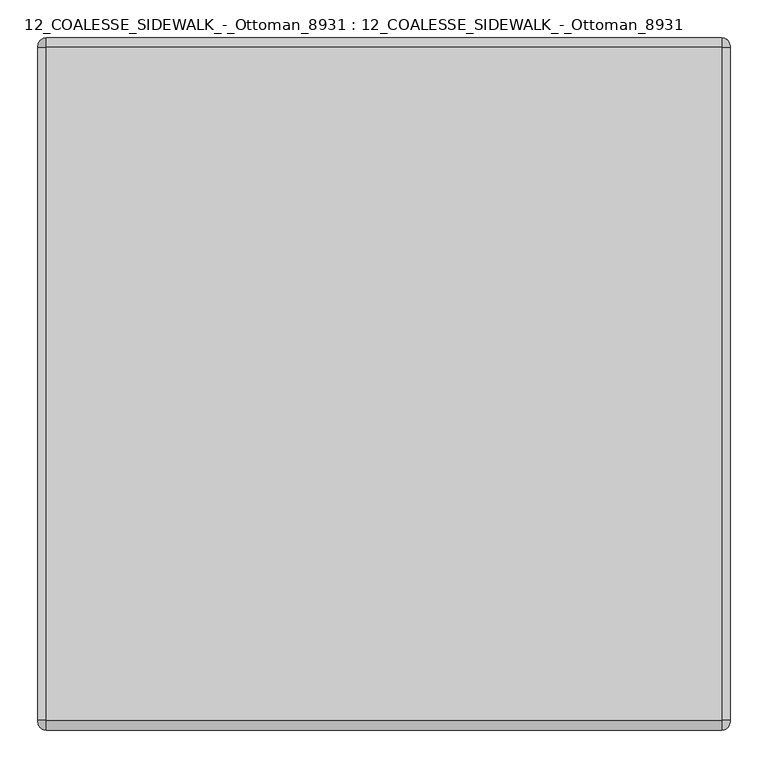
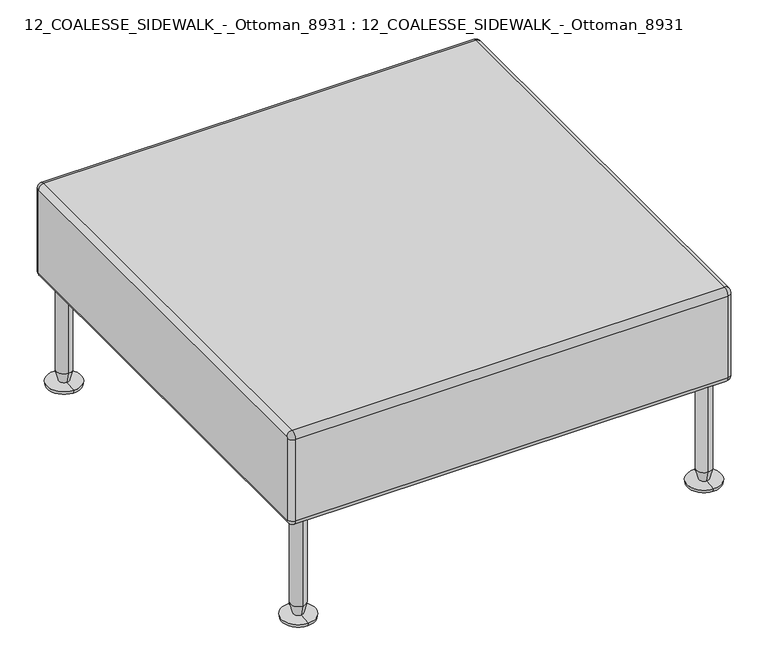
"""IFC4 building model written with IfcOpenShell, lengths in millimetres: furniture geometry, 12_COALESSE_SIDEWALK_-_Ottoman_8931 : 12_COALESSE_SIDEWALK_-_Ottoman_8931."""

from ifc_helpers import new_model, si_unit, point, frame, origin, place, context, project, spatial, polyline, circle_curve, ellipse_curve, trimmed, source, transform, mapped, element, save
from ifc_brep_helpers import plane_surface, cylinder_surface, revolved_surface, advanced_brep


def furniture_12_coalesse_sidewalk_ottoman_8931_12_coalesse_7567e3d7(model_context):
    return source(origin(), model_context, "Body", "AdvancedBrep", [
        advanced_brep(
        [(-721.2141121, -583.8248707, 228.6), (-721.2141121, -567.9498707, 228.6), (-721.2141121, -599.6998707, 228.6), (-721.2141121, -549.958204, 0.0), (-721.2141121, -583.8248707, 0.0), (-721.2141121, -617.6915374, 0.0), (-721.2141121, -618.7498707, 6.35), (-721.2141121, -548.8998707, 6.35), (-721.2141121, -593.7082242, 8.5001207), (-721.2141121, -573.9415173, 8.5001207), (-721.2141121, -599.6998707, 31.75), (-721.2141121, -567.9498707, 31.75)],
        [
            (0, 1),
            (1, 2, circle_curve(frame((-721.2141121, -583.8248707, 228.6), z_axis=(0.0, 0.0, 1.0), x_axis=(0.0, -1.0, 0.0)), 15.875)),
            (2, 0),
            (2, 1, circle_curve(frame((-721.2141121, -583.8248707, 228.6), z_axis=(0.0, 0.0, 1.0), x_axis=(0.0, -1.0, 0.0)), 15.875)),
            (3, 4),
            (4, 5),
            (5, 3, circle_curve(frame((-721.2141121, -583.8248707, 0.0), z_axis=(0.0, 0.0, -1.0), x_axis=(0.0, -1.0, 0.0)), 33.8666667)),
            (3, 5, circle_curve(frame((-721.2141121, -583.8248707, 0.0), z_axis=(0.0, 0.0, -1.0), x_axis=(0.0, -1.0, 0.0)), 33.8666667)),
            (5, 6),
            (6, 7, circle_curve(frame((-721.2141121, -583.8248707, 6.35), z_axis=(0.0, 0.0, -1.0), x_axis=(0.0, -1.0, 0.0)), 34.925)),
            (7, 3),
            (7, 6, circle_curve(frame((-721.2141121, -583.8248707, 6.35), z_axis=(0.0, 0.0, -1.0), x_axis=(0.0, -1.0, 0.0)), 34.925)),
            (6, 8),
            (8, 9, circle_curve(frame((-721.2141121, -583.8248707, 8.5001207), z_axis=(0.0, 0.0, -1.0), x_axis=(0.0, -1.0, 0.0)), 9.8833534)),
            (9, 7),
            (9, 8, circle_curve(frame((-721.2141121, -583.8248707, 8.5001207), z_axis=(0.0, 0.0, -1.0), x_axis=(0.0, -1.0, 0.0)), 9.8833534)),
            (8, 10),
            (10, 11, circle_curve(frame((-721.2141121, -583.8248707, 31.75), z_axis=(0.0, 0.0, -1.0), x_axis=(0.0, -1.0, 0.0)), 15.875)),
            (11, 9),
            (11, 10, circle_curve(frame((-721.2141121, -583.8248707, 31.75), z_axis=(0.0, 0.0, -1.0), x_axis=(0.0, -1.0, 0.0)), 15.875)),
            (1, 11),
            (10, 2),
        ],
        [
            plane_surface(frame((-721.2141121, -583.8248707, 228.6), z_axis=(0.0, 0.0, 1.0), x_axis=(0.0, -1.0, 0.0))),
            plane_surface(frame((-721.2141121, -583.8248707, 0.0), z_axis=(0.0, 0.0, -1.0), x_axis=(0.0, -1.0, 0.0))),
            revolved_surface(polyline([(-721.2141121, -617.6915374, 0.0), (-721.2141121, -618.7498707, 6.35)]), (-721.2141121, -583.8248707, -95.25), (0.0, 0.0, 1.0)),
            revolved_surface(polyline([(-721.2141121, -618.7498707, 6.35), (-721.2141121, -593.7082242, 8.5001207)]), (-721.2141121, -583.8248707, -95.25), (0.0, 0.0, 1.0)),
            revolved_surface(polyline([(-721.2141121, -593.7082242, 8.5001207), (-721.2141121, -599.6998707, 31.75)]), (-721.2141121, -583.8248707, -95.25), (0.0, 0.0, 1.0)),
            cylinder_surface(frame((-721.2141121, -583.8248707, -95.25), z_axis=(0.0, 0.0, 1.0), x_axis=(0.0, -1.0, 0.0)), 15.875),
        ],
        [
            (0, [[1, 2, 3]]),
            (0, [[4, -1, -3]]),
            (1, [[5, 6, 7]]),
            (1, [[-5, 8, -6]]),
            (2, [[9, 10, 11, -7]]),
            (2, [[-11, 12, -9, -8]]),
            (3, [[13, 14, 15, -10]]),
            (3, [[-15, 16, -13, -12]]),
            (4, [[17, 18, 19, -14]]),
            (4, [[-19, 20, -17, -16]]),
            (5, [[21, -18, 22, -2]]),
            (5, [[-22, -20, -21, -4]]),
        ],
    ),
        advanced_brep(
        [(-721.2141121, 254.3751293, 228.6), (-721.2141121, 270.2501293, 228.6), (-721.2141121, 238.5001293, 228.6), (-721.2141121, 288.241796, 0.0), (-721.2141121, 254.3751293, 0.0), (-721.2141121, 220.5084626, 0.0), (-721.2141121, 219.4501293, 6.35), (-721.2141121, 289.3001293, 6.35), (-721.2141121, 244.4917758, 8.5001207), (-721.2141121, 264.2584827, 8.5001207), (-721.2141121, 238.5001293, 31.75), (-721.2141121, 270.2501293, 31.75)],
        [
            (0, 1),
            (1, 2, circle_curve(frame((-721.2141121, 254.3751293, 228.6), z_axis=(0.0, 0.0, 1.0), x_axis=(0.0, -1.0, 0.0)), 15.875)),
            (2, 0),
            (2, 1, circle_curve(frame((-721.2141121, 254.3751293, 228.6), z_axis=(0.0, 0.0, 1.0), x_axis=(0.0, -1.0, 0.0)), 15.875)),
            (3, 4),
            (4, 5),
            (5, 3, circle_curve(frame((-721.2141121, 254.3751293, 0.0), z_axis=(0.0, 0.0, -1.0), x_axis=(0.0, -1.0, 0.0)), 33.8666667)),
            (3, 5, circle_curve(frame((-721.2141121, 254.3751293, 0.0), z_axis=(0.0, 0.0, -1.0), x_axis=(0.0, -1.0, 0.0)), 33.8666667)),
            (5, 6),
            (6, 7, circle_curve(frame((-721.2141121, 254.3751293, 6.35), z_axis=(0.0, 0.0, -1.0), x_axis=(0.0, -1.0, 0.0)), 34.925)),
            (7, 3),
            (7, 6, circle_curve(frame((-721.2141121, 254.3751293, 6.35), z_axis=(0.0, 0.0, -1.0), x_axis=(0.0, -1.0, 0.0)), 34.925)),
            (6, 8),
            (8, 9, circle_curve(frame((-721.2141121, 254.3751293, 8.5001207), z_axis=(0.0, 0.0, -1.0), x_axis=(0.0, -1.0, 0.0)), 9.8833534)),
            (9, 7),
            (9, 8, circle_curve(frame((-721.2141121, 254.3751293, 8.5001207), z_axis=(0.0, 0.0, -1.0), x_axis=(0.0, -1.0, 0.0)), 9.8833534)),
            (8, 10),
            (10, 11, circle_curve(frame((-721.2141121, 254.3751293, 31.75), z_axis=(0.0, 0.0, -1.0), x_axis=(0.0, -1.0, 0.0)), 15.875)),
            (11, 9),
            (11, 10, circle_curve(frame((-721.2141121, 254.3751293, 31.75), z_axis=(0.0, 0.0, -1.0), x_axis=(0.0, -1.0, 0.0)), 15.875)),
            (1, 11),
            (10, 2),
        ],
        [
            plane_surface(frame((-721.2141121, 254.3751293, 228.6), z_axis=(0.0, 0.0, 1.0), x_axis=(0.0, -1.0, 0.0))),
            plane_surface(frame((-721.2141121, 254.3751293, 0.0), z_axis=(0.0, 0.0, -1.0), x_axis=(0.0, -1.0, 0.0))),
            revolved_surface(polyline([(-721.2141121, 220.5084626, 0.0), (-721.2141121, 219.4501293, 6.35)]), (-721.2141121, 254.3751293, -95.25), (0.0, 0.0, 1.0)),
            revolved_surface(polyline([(-721.2141121, 219.4501293, 6.35), (-721.2141121, 244.4917758, 8.5001207)]), (-721.2141121, 254.3751293, -95.25), (0.0, 0.0, 1.0)),
            revolved_surface(polyline([(-721.2141121, 244.4917758, 8.5001207), (-721.2141121, 238.5001293, 31.75)]), (-721.2141121, 254.3751293, -95.25), (0.0, 0.0, 1.0)),
            cylinder_surface(frame((-721.2141121, 254.3751293, -95.25), z_axis=(0.0, 0.0, 1.0), x_axis=(0.0, -1.0, 0.0)), 15.875),
        ],
        [
            (0, [[1, 2, 3]]),
            (0, [[4, -1, -3]]),
            (1, [[5, 6, 7]]),
            (1, [[-5, 8, -6]]),
            (2, [[9, 10, 11, -7]]),
            (2, [[-11, 12, -9, -8]]),
            (3, [[13, 14, 15, -10]]),
            (3, [[-15, 16, -13, -12]]),
            (4, [[17, 18, 19, -14]]),
            (4, [[-19, 20, -17, -16]]),
            (5, [[21, -18, 22, -2]]),
            (5, [[-22, -20, -21, -4]]),
        ],
    ),
        advanced_brep(
        [(-759.3141121, -609.2248707, 420.6875), (-759.3141121, 279.7751293, 420.6875), (-759.3141121, 281.3626293, 419.1), (-759.3141121, 281.3626293, 241.3), (-759.3141121, 279.7751293, 239.7125), (-759.3141121, -609.2248707, 239.7125), (-759.3141121, -610.8123707, 241.3), (-759.3141121, -610.8123707, 419.1), (155.0858879, 279.7751293, 420.6875), (155.0858879, -609.2248707, 420.6875), (155.0858879, -610.8123707, 419.1), (155.0858879, -610.8123707, 241.3), (155.0858879, -609.2248707, 239.7125), (155.0858879, 279.7751293, 239.7125), (155.0858879, 281.3626293, 241.3), (155.0858879, 281.3626293, 419.1), (143.9733879, 279.7751293, 431.8), (-748.2016406, 279.7751293, 431.8), (-748.2016121, -609.2248707, 431.8), (143.9733879, -609.2248707, 431.8), (-748.2016121, -621.9248707, 419.1), (143.9733879, -621.9248707, 419.1), (-748.2016121, -621.9248707, 241.3), (143.9733879, -621.9248707, 241.3), (-748.2016121, -609.2248707, 228.6), (143.9733879, -609.2248707, 228.6), (-748.2016121, 279.7751293, 228.6), (143.9733879, 279.7751293, 228.6), (-748.2016121, 292.4751293, 241.3), (143.9733879, 292.4751293, 241.3), (-748.2016121, 292.4751293, 419.1), (143.9733879, 292.4751293, 419.1)],
        [
            (0, 1),
            (1, 2, circle_curve(frame((-759.3141121, 279.7751293, 419.1), z_axis=(-1.0, 0.0, 0.0), x_axis=(0.0, 1.0, 0.0)), 1.5875)),
            (2, 3),
            (3, 4, circle_curve(frame((-759.3141121, 279.7751293, 241.3), z_axis=(-1.0, 0.0, 0.0), x_axis=(0.0, 0.0, -1.0)), 1.5875)),
            (4, 5),
            (5, 6, circle_curve(frame((-759.3141121, -609.2248707, 241.3), z_axis=(-1.0, 0.0, 0.0), x_axis=(0.0, -1.0, 0.0)), 1.5875)),
            (6, 7),
            (7, 0, circle_curve(frame((-759.3141121, -609.2248707, 419.1), z_axis=(-1.0, 0.0, 0.0), x_axis=(0.0, 0.0, 1.0)), 1.5875)),
            (8, 9),
            (9, 10, circle_curve(frame((155.0858879, -609.2248707, 419.1), z_axis=(1.0, 0.0, 0.0), x_axis=(0.0, -1.0, 0.0)), 1.5875)),
            (10, 11),
            (11, 12, circle_curve(frame((155.0858879, -609.2248707, 241.3), z_axis=(1.0, 0.0, 0.0), x_axis=(0.0, 0.0, -1.0)), 1.5875)),
            (12, 13),
            (13, 14, circle_curve(frame((155.0858879, 279.7751293, 241.3), z_axis=(1.0, 0.0, 0.0), x_axis=(0.0, 1.0, 0.0)), 1.5875)),
            (14, 15),
            (15, 8, circle_curve(frame((155.0858879, 279.7751293, 419.1), z_axis=(1.0, 0.0, 0.0), x_axis=(0.0, 0.0, 1.0)), 1.5875)),
            (16, 17),
            (17, 18),
            (18, 19),
            (19, 16),
            (18, 20, circle_curve(frame((-748.2016121, -609.2248707, 419.1), z_axis=(1.0, 0.0, 0.0), x_axis=(0.0, 1.0, 0.0)), 12.7)),
            (20, 21),
            (21, 19, circle_curve(frame((143.9733879, -609.2248707, 419.1), z_axis=(-1.0, 0.0, 0.0), x_axis=(0.0, 1.0, 0.0)), 12.7)),
            (20, 22),
            (22, 23),
            (23, 21),
            (22, 24, circle_curve(frame((-748.2016121, -609.2248707, 241.3), z_axis=(1.0, 0.0, 0.0), x_axis=(0.0, 1.0, 0.0)), 12.7)),
            (24, 25),
            (25, 23, circle_curve(frame((143.9733879, -609.2248707, 241.3), z_axis=(-1.0, 0.0, 0.0), x_axis=(0.0, 1.0, 0.0)), 12.7)),
            (24, 26),
            (26, 27),
            (27, 25),
            (26, 28, circle_curve(frame((-748.2016121, 279.7751293, 241.3), z_axis=(1.0, 0.0, 0.0), x_axis=(0.0, 1.0, 0.0)), 12.7)),
            (28, 29),
            (29, 27, circle_curve(frame((143.9733879, 279.7751293, 241.3), z_axis=(-1.0, 0.0, 0.0), x_axis=(0.0, 1.0, 0.0)), 12.7)),
            (28, 30),
            (30, 31),
            (31, 29),
            (30, 17, circle_curve(frame((-748.2016121, 279.7751293, 419.1), z_axis=(1.0, 0.0, 0.0), x_axis=(0.0, 1.0, 0.0)), 12.7)),
            (16, 31, circle_curve(frame((143.9733879, 279.7751293, 419.1), z_axis=(-1.0, 0.0, 0.0), x_axis=(0.0, 1.0, 0.0)), 12.7)),
            (16, 8, circle_curve(frame((143.9733879, 279.7751293, 420.6875), z_axis=(0.0, 1.0, 0.0), x_axis=(0.0, 0.0, 1.0)), 11.1125)),
            (15, 31, circle_curve(frame((143.9733879, 281.3626293, 419.1), z_axis=(0.0, 0.0, 1.0), x_axis=(0.0, 1.0, 0.0)), 11.1125)),
            (14, 29, circle_curve(frame((143.9733879, 281.3626293, 241.3), z_axis=(0.0, 0.0, 1.0), x_axis=(0.0, 1.0, 0.0)), 11.1125)),
            (13, 27, circle_curve(frame((143.9733879, 279.7751293, 239.7125), z_axis=(0.0, 1.0, 0.0), x_axis=(0.0, 0.0, -1.0)), 11.1125)),
            (12, 25, circle_curve(frame((143.9733879, -609.2248707, 239.7125), z_axis=(0.0, 1.0, 0.0), x_axis=(0.0, 0.0, -1.0)), 11.1125)),
            (11, 23, circle_curve(frame((143.9733879, -610.8123707, 241.3), z_axis=(0.0, 0.0, -1.0), x_axis=(0.0, -1.0, 0.0)), 11.1125)),
            (10, 21, circle_curve(frame((143.9733879, -610.8123707, 419.1), z_axis=(0.0, 0.0, -1.0), x_axis=(0.0, -1.0, 0.0)), 11.1125)),
            (9, 19, circle_curve(frame((143.9733879, -609.2248707, 420.6875), z_axis=(0.0, -1.0, 0.0), x_axis=(0.0, 0.0, 1.0)), 11.1125)),
            (18, 0, circle_curve(frame((-748.2016121, -609.2248707, 420.6875), z_axis=(0.0, -1.0, 0.0), x_axis=(0.0, 0.0, -1.0)), 11.1125)),
            (7, 20, circle_curve(frame((-748.2016121, -610.8123707, 419.1), z_axis=(0.0, 0.0, 1.0), x_axis=(0.0, 1.0, 0.0)), 11.1125)),
            (6, 22, circle_curve(frame((-748.2016121, -610.8123707, 241.3), z_axis=(0.0, 0.0, 1.0), x_axis=(0.0, 1.0, 0.0)), 11.1125)),
            (5, 24, circle_curve(frame((-748.2016121, -609.2248707, 239.7125), z_axis=(0.0, -1.0, 0.0), x_axis=(0.0, 0.0, 1.0)), 11.1125)),
            (4, 26, circle_curve(frame((-748.2016121, 279.7751293, 239.7125), z_axis=(0.0, -1.0, 0.0), x_axis=(0.0, 0.0, 1.0)), 11.1125)),
            (3, 28, circle_curve(frame((-748.2016121, 281.3626293, 241.3), z_axis=(0.0, 0.0, -1.0), x_axis=(0.0, -1.0, 0.0)), 11.1125)),
            (2, 30, circle_curve(frame((-748.2016121, 281.3626293, 419.1), z_axis=(0.0, 0.0, -1.0), x_axis=(0.0, -1.0, 0.0)), 11.1125)),
            (1, 17, circle_curve(frame((-748.2016121, 279.7751293, 420.6875), z_axis=(0.0, 1.0, 0.0), x_axis=(0.0, 0.0, -1.0)), 11.1125)),
        ],
        [
            plane_surface(frame((-759.3141121, -609.2248707, 431.8), z_axis=(-1.0, 0.0, 0.0), x_axis=(0.0, -1.0, 0.0))),
            plane_surface(frame((155.0858879, -609.2248707, 431.8), z_axis=(1.0, 0.0, 0.0), x_axis=(0.0, 1.0, 0.0))),
            plane_surface(frame((-759.3141121, 279.7751293, 431.8), z_axis=(0.0, 0.0, 1.0), x_axis=(1.0, 0.0, 0.0))),
            cylinder_surface(frame((155.0858879, -609.2248707, 419.1), z_axis=(-1.0, 0.0, 0.0), x_axis=(0.0, 1.0, 0.0)), 12.7),
            plane_surface(frame((-759.3141121, -621.9248707, 419.1), z_axis=(0.0, -1.0, 0.0), x_axis=(1.0, 0.0, 0.0))),
            cylinder_surface(frame((155.0858879, -609.2248707, 241.3), z_axis=(-1.0, 0.0, 0.0), x_axis=(0.0, 1.0, 0.0)), 12.7),
            plane_surface(frame((-759.3141121, -609.2248707, 228.6), z_axis=(0.0, 0.0, -1.0), x_axis=(1.0, 0.0, 0.0))),
            cylinder_surface(frame((155.0858879, 279.7751293, 241.3), z_axis=(-1.0, 0.0, 0.0), x_axis=(0.0, 1.0, 0.0)), 12.7),
            plane_surface(frame((-759.3141121, 292.4751293, 241.3), z_axis=(0.0, 1.0, 0.0), x_axis=(1.0, 0.0, 0.0))),
            cylinder_surface(frame((155.0858879, 279.7751293, 419.1), z_axis=(-1.0, 0.0, 0.0), x_axis=(0.0, 1.0, 0.0)), 12.7),
            revolved_surface(trimmed(ellipse_curve(frame((143.9733879, 279.7751293, 420.6875), z_axis=(0.0, 1.0, 0.0), x_axis=(0.0, 0.0, 1.0)), 11.1125, 11.1125), [point((143.9733879, 279.7751293, 431.8))], [point((155.0858879, 279.7751293, 420.6875))], True, "CARTESIAN"), (155.0858879, 279.7751293, 419.1), (1.0, 0.0, 0.0)),
            cylinder_surface(frame((143.9733879, 281.3626293, 419.1), z_axis=(0.0, 0.0, -1.0), x_axis=(0.0, 1.0, 0.0)), 11.1125),
            revolved_surface(trimmed(ellipse_curve(frame((143.9733879, 281.3626293, 241.3), z_axis=(0.0, 0.0, -1.0), x_axis=(0.0, 1.0, 0.0)), 11.1125, 11.1125), [point((143.9733879, 292.4751293, 241.3))], [point((155.0858879, 281.3626293, 241.3))], True, "CARTESIAN"), (155.0858879, 279.7751293, 241.3), (1.0, 0.0, 0.0)),
            cylinder_surface(frame((143.9733879, 279.7751293, 239.7125), z_axis=(0.0, -1.0, 0.0), x_axis=(0.0, 0.0, -1.0)), 11.1125),
            revolved_surface(trimmed(ellipse_curve(frame((143.9733879, -609.2248707, 239.7125), z_axis=(0.0, -1.0, 0.0), x_axis=(0.0, 0.0, -1.0)), 11.1125, 11.1125), [point((143.9733879, -609.2248707, 228.6))], [point((155.0858879, -609.2248707, 239.7125))], True, "CARTESIAN"), (155.0858879, -609.2248707, 241.3), (1.0, 0.0, 0.0)),
            cylinder_surface(frame((143.9733879, -610.8123707, 241.3), z_axis=(0.0, 0.0, 1.0), x_axis=(0.0, -1.0, 0.0)), 11.1125),
            revolved_surface(trimmed(ellipse_curve(frame((143.9733879, -610.8123707, 419.1), z_axis=(0.0, 0.0, 1.0), x_axis=(0.0, -1.0, 0.0)), 11.1125, 11.1125), [point((143.9733879, -621.9248707, 419.1))], [point((155.0858879, -610.8123707, 419.1))], True, "CARTESIAN"), (155.0858879, -609.2248707, 419.1), (1.0, 0.0, 0.0)),
            cylinder_surface(frame((143.9733879, -609.2248707, 420.6875), z_axis=(0.0, 1.0, 0.0), x_axis=(0.0, 0.0, 1.0)), 11.1125),
            revolved_surface(trimmed(ellipse_curve(frame((-748.2016121, -609.2248707, 420.6875), z_axis=(0.0, -1.0, 0.0), x_axis=(0.0, 0.0, -1.0)), 11.1125, 11.1125), [point((-748.2016121, -609.2248707, 431.8))], [point((-759.3141121, -609.2248707, 420.6875))], True, "CARTESIAN"), (-759.3141121, -609.2248707, 419.1), (-1.0, 0.0, 0.0)),
            cylinder_surface(frame((-748.2016121, -610.8123707, 419.1), z_axis=(0.0, 0.0, -1.0), x_axis=(0.0, 1.0, 0.0)), 11.1125),
            revolved_surface(trimmed(ellipse_curve(frame((-748.2016121, -610.8123707, 241.3), z_axis=(0.0, 0.0, -1.0), x_axis=(0.0, 1.0, 0.0)), 11.1125, 11.1125), [point((-748.2016121, -621.9248707, 241.3))], [point((-759.3141121, -610.8123707, 241.3))], True, "CARTESIAN"), (-759.3141121, -609.2248707, 241.3), (-1.0, 0.0, 0.0)),
            cylinder_surface(frame((-748.2016121, -609.2248707, 239.7125), z_axis=(0.0, 1.0, 0.0), x_axis=(0.0, 0.0, 1.0)), 11.1125),
            revolved_surface(trimmed(ellipse_curve(frame((-748.2016121, 279.7751293, 239.7125), z_axis=(0.0, 1.0, 0.0), x_axis=(0.0, 0.0, 1.0)), 11.1125, 11.1125), [point((-748.2016121, 279.7751293, 228.6))], [point((-759.3141121, 279.7751293, 239.7125))], True, "CARTESIAN"), (-759.3141121, 279.7751293, 241.3), (-1.0, 0.0, 0.0)),
            cylinder_surface(frame((-748.2016121, 281.3626293, 241.3), z_axis=(0.0, 0.0, 1.0), x_axis=(0.0, -1.0, 0.0)), 11.1125),
            revolved_surface(trimmed(ellipse_curve(frame((-748.2016121, 281.3626293, 419.1), z_axis=(0.0, 0.0, 1.0), x_axis=(0.0, -1.0, 0.0)), 11.1125, 11.1125), [point((-748.2016121, 292.4751293, 419.1))], [point((-759.3141121, 281.3626293, 419.1))], True, "CARTESIAN"), (-759.3141121, 279.7751293, 419.1), (-1.0, 0.0, 0.0)),
            cylinder_surface(frame((-748.2016121, 279.7751293, 420.6875), z_axis=(0.0, -1.0, 0.0), x_axis=(0.0, 0.0, -1.0)), 11.1125),
        ],
        [
            (0, [[1, 2, 3, 4, 5, 6, 7, 8]]),
            (1, [[9, 10, 11, 12, 13, 14, 15, 16]]),
            (2, [[17, 18, 19, 20]]),
            (3, [[-19, 21, 22, 23]]),
            (4, [[-22, 24, 25, 26]]),
            (5, [[-25, 27, 28, 29]]),
            (6, [[-28, 30, 31, 32]]),
            (7, [[-31, 33, 34, 35]]),
            (8, [[-34, 36, 37, 38]]),
            (9, [[-37, 39, -17, 40]]),
            (10, [[-40, 41, -16, 42]]),
            (11, [[-15, 43, -38, -42]]),
            (12, [[-14, 44, -35, -43]]),
            (13, [[-13, 45, -32, -44]]),
            (14, [[-12, 46, -29, -45]]),
            (15, [[-11, 47, -26, -46]]),
            (16, [[-10, 48, -23, -47]]),
            (17, [[-20, -48, -9, -41]]),
            (18, [[-21, 49, -8, 50]]),
            (19, [[-7, 51, -24, -50]]),
            (20, [[-6, 52, -27, -51]]),
            (21, [[-5, 53, -30, -52]]),
            (22, [[-4, 54, -33, -53]]),
            (23, [[-3, 55, -36, -54]]),
            (24, [[-2, 56, -39, -55]]),
            (25, [[-18, -56, -1, -49]]),
        ],
    ),
        advanced_brep(
        [(116.9570619, -567.9498707, 31.75), (116.9570619, -567.9498707, 228.6), (116.9570619, -599.6998707, 228.6), (116.9570619, -599.6998707, 31.75), (116.9570619, -593.7082242, 8.5001207), (116.9570619, -573.9415173, 8.5001207), (116.9570619, -618.7498707, 6.35), (116.9570619, -548.8998707, 6.35), (116.9570619, -617.6915374, 0.0), (116.9570619, -549.958204, 0.0), (116.9570619, -583.8248707, 0.0), (116.9570619, -583.8248707, 228.6)],
        [
            (0, 1),
            (1, 2, circle_curve(frame((116.9570619, -583.8248707, 228.6), z_axis=(0.0, 0.0, -1.0), x_axis=(0.0, -1.0, 0.0)), 15.875)),
            (2, 3),
            (3, 0, circle_curve(frame((116.9570619, -583.8248707, 31.75), z_axis=(0.0, 0.0, 1.0), x_axis=(0.0, -1.0, 0.0)), 15.875)),
            (2, 1, circle_curve(frame((116.9570619, -583.8248707, 228.6), z_axis=(0.0, 0.0, -1.0), x_axis=(0.0, -1.0, 0.0)), 15.875)),
            (0, 3, circle_curve(frame((116.9570619, -583.8248707, 31.75), z_axis=(0.0, 0.0, 1.0), x_axis=(0.0, -1.0, 0.0)), 15.875)),
            (3, 4),
            (4, 5, circle_curve(frame((116.9570619, -583.8248707, 8.5001207), z_axis=(0.0, 0.0, 1.0), x_axis=(0.0, -1.0, 0.0)), 9.8833534)),
            (5, 0),
            (5, 4, circle_curve(frame((116.9570619, -583.8248707, 8.5001207), z_axis=(0.0, 0.0, 1.0), x_axis=(0.0, -1.0, 0.0)), 9.8833534)),
            (4, 6),
            (6, 7, circle_curve(frame((116.9570619, -583.8248707, 6.35), z_axis=(0.0, 0.0, 1.0), x_axis=(0.0, -1.0, 0.0)), 34.925)),
            (7, 5),
            (7, 6, circle_curve(frame((116.9570619, -583.8248707, 6.35), z_axis=(0.0, 0.0, 1.0), x_axis=(0.0, -1.0, 0.0)), 34.925)),
            (6, 8),
            (8, 9, circle_curve(frame((116.9570619, -583.8248707, 0.0), z_axis=(0.0, 0.0, 1.0), x_axis=(0.0, -1.0, 0.0)), 33.8666667)),
            (9, 7),
            (9, 8, circle_curve(frame((116.9570619, -583.8248707, 0.0), z_axis=(0.0, 0.0, 1.0), x_axis=(0.0, -1.0, 0.0)), 33.8666667)),
            (8, 10),
            (10, 9),
            (1, 11),
            (11, 2),
        ],
        [
            cylinder_surface(frame((116.9570619, -583.8248707, -95.25), z_axis=(0.0, 0.0, -1.0), x_axis=(0.0, -1.0, 0.0)), 15.875),
            revolved_surface(polyline([(116.9570619, -599.6998707, 31.75), (116.9570619, -593.7082242, 8.5001207)]), (116.9570619, -583.8248707, -95.25), (0.0, 0.0, -1.0)),
            revolved_surface(polyline([(116.9570619, -593.7082242, 8.5001207), (116.9570619, -618.7498707, 6.35)]), (116.9570619, -583.8248707, -95.25), (0.0, 0.0, -1.0)),
            revolved_surface(polyline([(116.9570619, -618.7498707, 6.35), (116.9570619, -617.6915374, 0.0)]), (116.9570619, -583.8248707, -95.25), (0.0, 0.0, -1.0)),
            plane_surface(frame((116.9570619, -583.8248707, 0.0), z_axis=(0.0, 0.0, -1.0), x_axis=(0.0, -1.0, 0.0))),
            plane_surface(frame((116.9570619, -583.8248707, 228.6), z_axis=(0.0, 0.0, 1.0), x_axis=(0.0, -1.0, 0.0))),
        ],
        [
            (0, [[1, 2, 3, 4]]),
            (0, [[5, -1, 6, -3]]),
            (1, [[7, 8, 9, -4]]),
            (1, [[-9, 10, -7, -6]]),
            (2, [[11, 12, 13, -8]]),
            (2, [[-13, 14, -11, -10]]),
            (3, [[15, 16, 17, -12]]),
            (3, [[-17, 18, -15, -14]]),
            (4, [[19, 20, -16]]),
            (4, [[-20, -19, -18]]),
            (5, [[21, 22, -2]]),
            (5, [[-22, -21, -5]]),
        ],
    ),
        advanced_brep(
        [(116.9570619, 270.2501293, 31.75), (116.9570619, 270.2501293, 228.6), (116.9570619, 238.5001293, 228.6), (116.9570619, 238.5001293, 31.75), (116.9570619, 244.4917758, 8.5001207), (116.9570619, 264.2584827, 8.5001207), (116.9570619, 219.4501293, 6.35), (116.9570619, 289.3001293, 6.35), (116.9570619, 220.5084626, 0.0), (116.9570619, 288.241796, 0.0), (116.9570619, 254.3751293, 0.0), (116.9570619, 254.3751293, 228.6)],
        [
            (0, 1),
            (1, 2, circle_curve(frame((116.9570619, 254.3751293, 228.6), z_axis=(0.0, 0.0, -1.0), x_axis=(0.0, -1.0, 0.0)), 15.875)),
            (2, 3),
            (3, 0, circle_curve(frame((116.9570619, 254.3751293, 31.75), z_axis=(0.0, 0.0, 1.0), x_axis=(0.0, -1.0, 0.0)), 15.875)),
            (2, 1, circle_curve(frame((116.9570619, 254.3751293, 228.6), z_axis=(0.0, 0.0, -1.0), x_axis=(0.0, -1.0, 0.0)), 15.875)),
            (0, 3, circle_curve(frame((116.9570619, 254.3751293, 31.75), z_axis=(0.0, 0.0, 1.0), x_axis=(0.0, -1.0, 0.0)), 15.875)),
            (3, 4),
            (4, 5, circle_curve(frame((116.9570619, 254.3751293, 8.5001207), z_axis=(0.0, 0.0, 1.0), x_axis=(0.0, -1.0, 0.0)), 9.8833534)),
            (5, 0),
            (5, 4, circle_curve(frame((116.9570619, 254.3751293, 8.5001207), z_axis=(0.0, 0.0, 1.0), x_axis=(0.0, -1.0, 0.0)), 9.8833534)),
            (4, 6),
            (6, 7, circle_curve(frame((116.9570619, 254.3751293, 6.35), z_axis=(0.0, 0.0, 1.0), x_axis=(0.0, -1.0, 0.0)), 34.925)),
            (7, 5),
            (7, 6, circle_curve(frame((116.9570619, 254.3751293, 6.35), z_axis=(0.0, 0.0, 1.0), x_axis=(0.0, -1.0, 0.0)), 34.925)),
            (6, 8),
            (8, 9, circle_curve(frame((116.9570619, 254.3751293, 0.0), z_axis=(0.0, 0.0, 1.0), x_axis=(0.0, -1.0, 0.0)), 33.8666667)),
            (9, 7),
            (9, 8, circle_curve(frame((116.9570619, 254.3751293, 0.0), z_axis=(0.0, 0.0, 1.0), x_axis=(0.0, -1.0, 0.0)), 33.8666667)),
            (8, 10),
            (10, 9),
            (1, 11),
            (11, 2),
        ],
        [
            cylinder_surface(frame((116.9570619, 254.3751293, -95.25), z_axis=(0.0, 0.0, -1.0), x_axis=(0.0, -1.0, 0.0)), 15.875),
            revolved_surface(polyline([(116.9570619, 238.5001293, 31.75), (116.9570619, 244.4917758, 8.5001207)]), (116.9570619, 254.3751293, -95.25), (0.0, 0.0, -1.0)),
            revolved_surface(polyline([(116.9570619, 244.4917758, 8.5001207), (116.9570619, 219.4501293, 6.35)]), (116.9570619, 254.3751293, -95.25), (0.0, 0.0, -1.0)),
            revolved_surface(polyline([(116.9570619, 219.4501293, 6.35), (116.9570619, 220.5084626, 0.0)]), (116.9570619, 254.3751293, -95.25), (0.0, 0.0, -1.0)),
            plane_surface(frame((116.9570619, 254.3751293, 0.0), z_axis=(0.0, 0.0, -1.0), x_axis=(0.0, -1.0, 0.0))),
            plane_surface(frame((116.9570619, 254.3751293, 228.6), z_axis=(0.0, 0.0, 1.0), x_axis=(0.0, -1.0, 0.0))),
        ],
        [
            (0, [[1, 2, 3, 4]]),
            (0, [[5, -1, 6, -3]]),
            (1, [[7, 8, 9, -4]]),
            (1, [[-9, 10, -7, -6]]),
            (2, [[11, 12, 13, -8]]),
            (2, [[-13, 14, -11, -10]]),
            (3, [[15, 16, 17, -12]]),
            (3, [[-17, 18, -15, -14]]),
            (4, [[19, 20, -16]]),
            (4, [[-20, -19, -18]]),
            (5, [[21, 22, -2]]),
            (5, [[-22, -21, -5]]),
        ],
    ),
    ])


if __name__ == "__main__":
    model = new_model("IFC4")
    model_context = context("Model", 3, world=origin())
    ifc_project = project(units=[si_unit("LENGTHUNIT", "METRE", prefix="MILLI")], contexts=[model_context])
    site = spatial("IfcSite", under=ifc_project)
    building = spatial("IfcBuilding", under=site)
    placement = place(None, origin())
    furniture_12_coalesse_sidewalk_ottoman_8931_12_coalesse_shape = furniture_12_coalesse_sidewalk_ottoman_8931_12_coalesse_7567e3d7(model_context)
    element("IfcFurniture", 1, ObjectType="12_COALESSE_SIDEWALK_-_Ottoman_8931 : 12_COALESSE_SIDEWALK_-_Ottoman_8931", at=placement, inside=building, context=model_context, shape_type="MappedRepresentation", body=[
        mapped(furniture_12_coalesse_sidewalk_ottoman_8931_12_coalesse_shape, transform((0.0, 0.0, 0.0), x_axis=(1.0, 0.0, 0.0), y_axis=(0.0, 1.0, 0.0), z_axis=(0.0, 0.0, 1.0))),
    ])
    save(model, "model.ifc")
